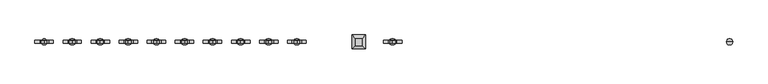
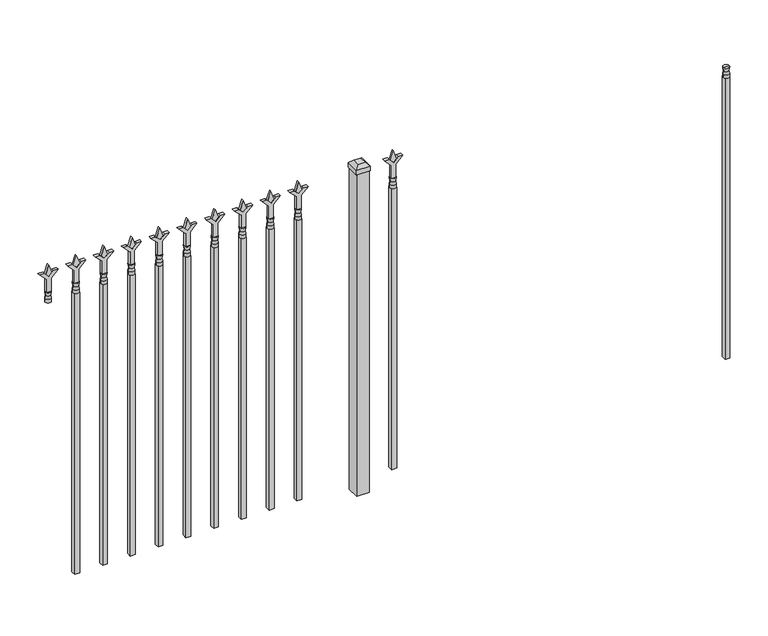
"""IFC4 building model written with IfcOpenShell, lengths in millimetres: railing geometry."""

from ifc_helpers import new_model, si_unit, frame, origin, origin_with_axes, place, context, project, spatial, polyline, circle_curve, outline, extrude, faceted_brep, source, transform, mapped, element, save
from ifc_brep_helpers import plane_surface, cylinder_surface, revolved_surface, advanced_brep


def railing_8f389909(model_context):
    return source(origin(), model_context, "Body", "SolidModel", [
        advanced_brep(
        [(-70507.574337, -635.2570174, 1231.9), (-70531.386837, -635.2570174, 1231.9), (-70531.386837, -635.2570174, 1219.2), (-70507.574337, -635.2570174, 1219.2), (-70509.7796688, -635.2570174, 1244.4070585), (-70529.1815051, -635.2570174, 1244.4070585), (-70507.574337, -635.2570174, 1260.475), (-70531.386837, -635.2570174, 1260.475), (-70519.480587, -635.2570174, 1260.475), (-70519.480587, -635.2570174, 1219.2)],
        [
            (0, 1, circle_curve(frame((-70519.480587, -635.2570174, 1231.9), z_axis=(0.0, 0.0, -1.0), x_axis=(-1.0, 0.0, 0.0)), 11.90625)),
            (1, 2),
            (2, 3, circle_curve(frame((-70519.480587, -635.2570174, 1219.2), z_axis=(0.0, 0.0, 1.0), x_axis=(-1.0, 0.0, 0.0)), 11.90625)),
            (3, 0),
            (1, 0, circle_curve(frame((-70519.480587, -635.2570174, 1231.9), z_axis=(0.0, 0.0, -1.0), x_axis=(-1.0, 0.0, 0.0)), 11.90625)),
            (3, 2, circle_curve(frame((-70519.480587, -635.2570174, 1219.2), z_axis=(0.0, 0.0, 1.0), x_axis=(-1.0, 0.0, 0.0)), 11.90625)),
            (4, 5, circle_curve(frame((-70519.480587, -635.2570174, 1244.4070585), z_axis=(0.0, 0.0, -1.0), x_axis=(-1.0, 0.0, 0.0)), 9.7009181)),
            (5, 1),
            (0, 4),
            (5, 4, circle_curve(frame((-70519.480587, -635.2570174, 1244.4070585), z_axis=(0.0, 0.0, -1.0), x_axis=(-1.0, 0.0, 0.0)), 9.7009181)),
            (6, 7, circle_curve(frame((-70519.480587, -635.2570174, 1260.475), z_axis=(0.0, 0.0, -1.0), x_axis=(-1.0, 0.0, 0.0)), 11.90625)),
            (7, 5),
            (4, 6),
            (7, 6, circle_curve(frame((-70519.480587, -635.2570174, 1260.475), z_axis=(0.0, 0.0, -1.0), x_axis=(-1.0, 0.0, 0.0)), 11.90625)),
            (8, 7),
            (6, 8),
            (2, 9),
            (9, 3),
        ],
        [
            cylinder_surface(frame((-70519.480587, -635.2570174, 1219.2), z_axis=(0.0, 0.0, 1.0), x_axis=(-1.0, 0.0, 0.0)), 11.90625),
            revolved_surface(polyline([(-70531.386837, -635.2570174, 1231.9), (-70529.1815051, -635.2570174, 1244.4070585)]), (-70519.480587, -635.2570174, 1219.2), (0.0, 0.0, 1.0)),
            revolved_surface(polyline([(-70529.1815051, -635.2570174, 1244.4070585), (-70531.386837, -635.2570174, 1260.475)]), (-70519.480587, -635.2570174, 1219.2), (0.0, 0.0, 1.0)),
            plane_surface(frame((-70519.480587, -635.2570174, 1260.475), z_axis=(0.0, 0.0, 1.0), x_axis=(-1.0, 0.0, 0.0))),
            plane_surface(frame((-70519.480587, -635.2570174, 1219.2), z_axis=(0.0, 0.0, -1.0), x_axis=(-1.0, 0.0, 0.0))),
        ],
        [
            (0, [[1, 2, 3, 4]]),
            (0, [[5, -4, 6, -2]]),
            (1, [[7, 8, -1, 9]]),
            (1, [[10, -9, -5, -8]]),
            (2, [[11, 12, -7, 13]]),
            (2, [[14, -13, -10, -12]]),
            (3, [[15, -11, 16]]),
            (3, [[-16, -14, -15]]),
            (4, [[-3, 17, 18]]),
            (4, [[-6, -18, -17]]),
        ],
    ),
        extrude(outline(polyline([(-70529.005587, -625.7320174), (-70509.955587, -625.7320174), (-70509.955587, -644.7820174), (-70529.005587, -644.7820174), (-70529.005587, -625.7320174)])), frame((0.0, 0.0, 50.8), z_axis=(0.0, 0.0, 1.0), x_axis=(1.0, 0.0, 0.0)), (0.0, 0.0, 1.0), 1168.4),
        extrude(outline(polyline([(1335.88125, -71818.849337), (1371.6, -71830.755587), (1335.88125, -71842.661837), (1323.975, -71830.755587), (1335.88125, -71818.849337)])), frame((0.0, -640.0195174, 0.0), z_axis=(0.0, 1.0, 0.0), x_axis=(0.0, 0.0, 1.0)), (0.0, 0.0, 1.0), 9.525),
        extrude(outline(polyline([(1260.475, -71822.024337), (1314.7457378, -71822.024337), (1341.9355122, -71794.8345625), (1341.9355122, -71812.7950747), (1323.975, -71830.755587), (1341.9355122, -71848.7160992), (1341.9355122, -71866.6766114), (1314.7457378, -71839.486837), (1260.475, -71839.486837), (1260.475, -71822.024337)])), frame((0.0, -641.6070174, 0.0), z_axis=(0.0, 1.0, 0.0), x_axis=(0.0, 0.0, 1.0)), (0.0, 0.0, 1.0), 12.7),
        advanced_brep(
        [(-71818.849337, -635.2570174, 1231.9), (-71842.661837, -635.2570174, 1231.9), (-71842.661837, -635.2570174, 1219.2), (-71818.849337, -635.2570174, 1219.2), (-71821.0546688, -635.2570174, 1244.4070585), (-71840.4565051, -635.2570174, 1244.4070585), (-71818.849337, -635.2570174, 1260.475), (-71842.661837, -635.2570174, 1260.475), (-71830.755587, -635.2570174, 1260.475), (-71830.755587, -635.2570174, 1219.2)],
        [
            (0, 1, circle_curve(frame((-71830.755587, -635.2570174, 1231.9), z_axis=(0.0, 0.0, -1.0), x_axis=(-1.0, 0.0, 0.0)), 11.90625)),
            (1, 2),
            (2, 3, circle_curve(frame((-71830.755587, -635.2570174, 1219.2), z_axis=(0.0, 0.0, 1.0), x_axis=(-1.0, 0.0, 0.0)), 11.90625)),
            (3, 0),
            (1, 0, circle_curve(frame((-71830.755587, -635.2570174, 1231.9), z_axis=(0.0, 0.0, -1.0), x_axis=(-1.0, 0.0, 0.0)), 11.90625)),
            (3, 2, circle_curve(frame((-71830.755587, -635.2570174, 1219.2), z_axis=(0.0, 0.0, 1.0), x_axis=(-1.0, 0.0, 0.0)), 11.90625)),
            (4, 5, circle_curve(frame((-71830.755587, -635.2570174, 1244.4070585), z_axis=(0.0, 0.0, -1.0), x_axis=(-1.0, 0.0, 0.0)), 9.7009181)),
            (5, 1),
            (0, 4),
            (5, 4, circle_curve(frame((-71830.755587, -635.2570174, 1244.4070585), z_axis=(0.0, 0.0, -1.0), x_axis=(-1.0, 0.0, 0.0)), 9.7009181)),
            (6, 7, circle_curve(frame((-71830.755587, -635.2570174, 1260.475), z_axis=(0.0, 0.0, -1.0), x_axis=(-1.0, 0.0, 0.0)), 11.90625)),
            (7, 5),
            (4, 6),
            (7, 6, circle_curve(frame((-71830.755587, -635.2570174, 1260.475), z_axis=(0.0, 0.0, -1.0), x_axis=(-1.0, 0.0, 0.0)), 11.90625)),
            (8, 7),
            (6, 8),
            (2, 9),
            (9, 3),
        ],
        [
            cylinder_surface(frame((-71830.755587, -635.2570174, 1219.2), z_axis=(0.0, 0.0, 1.0), x_axis=(-1.0, 0.0, 0.0)), 11.90625),
            revolved_surface(polyline([(-71842.661837, -635.2570174, 1231.9), (-71840.4565051, -635.2570174, 1244.4070585)]), (-71830.755587, -635.2570174, 1219.2), (0.0, 0.0, 1.0)),
            revolved_surface(polyline([(-71840.4565051, -635.2570174, 1244.4070585), (-71842.661837, -635.2570174, 1260.475)]), (-71830.755587, -635.2570174, 1219.2), (0.0, 0.0, 1.0)),
            plane_surface(frame((-71830.755587, -635.2570174, 1260.475), z_axis=(0.0, 0.0, 1.0), x_axis=(-1.0, 0.0, 0.0))),
            plane_surface(frame((-71830.755587, -635.2570174, 1219.2), z_axis=(0.0, 0.0, -1.0), x_axis=(-1.0, 0.0, 0.0))),
        ],
        [
            (0, [[1, 2, 3, 4]]),
            (0, [[5, -4, 6, -2]]),
            (1, [[7, 8, -1, 9]]),
            (1, [[10, -9, -5, -8]]),
            (2, [[11, 12, -7, 13]]),
            (2, [[14, -13, -10, -12]]),
            (3, [[15, -11, 16]]),
            (3, [[-16, -14, -15]]),
            (4, [[-3, 17, 18]]),
            (4, [[-6, -18, -17]]),
        ],
    ),
        extrude(outline(polyline([(-71840.280587, -625.7320174), (-71821.230587, -625.7320174), (-71821.230587, -644.7820174), (-71840.280587, -644.7820174), (-71840.280587, -625.7320174)])), frame((0.0, 0.0, 50.8), z_axis=(0.0, 0.0, 1.0), x_axis=(1.0, 0.0, 0.0)), (0.0, 0.0, 1.0), 1168.4),
        extrude(outline(polyline([(-71937.118087, -609.8570174), (-71937.118087, -660.6570174), (-71987.918087, -660.6570174), (-71987.918087, -609.8570174), (-71937.118087, -609.8570174)])), origin_with_axes(), (0.0, 0.0, 1.0), 1339.85),
        faceted_brep([(-71989.505587, -608.2695174, 1358.9), (-71989.505587, -608.2695174, 1339.85), (-71989.505587, -662.2445174, 1339.85), (-71989.505587, -662.2445174, 1358.9), (-71976.805587, -620.9695174, 1371.6), (-71976.805587, -649.5445174, 1371.6), (-71935.530587, -662.2445174, 1339.85), (-71935.530587, -662.2445174, 1358.9), (-71948.230587, -649.5445174, 1371.6), (-71935.530587, -608.2695174, 1339.85), (-71935.530587, -608.2695174, 1358.9), (-71948.230587, -620.9695174, 1371.6)], [[[0, 1, 2, 3]], [[4, 0, 3, 5]], [[3, 2, 6, 7]], [[5, 3, 7, 8]], [[7, 6, 9, 10]], [[8, 7, 10, 11]], [[10, 9, 1, 0]], [[11, 10, 0, 4]], [[5, 8, 11, 4]], [[1, 9, 6, 2]]]),
        extrude(outline(polyline([(1335.88125, -72191.6472536), (1371.6, -72203.5535036), (1335.88125, -72215.4597536), (1323.975, -72203.5535036), (1335.88125, -72191.6472536)])), frame((0.0, -640.0195174, 0.0), z_axis=(0.0, 1.0, 0.0), x_axis=(0.0, 0.0, 1.0)), (0.0, 0.0, 1.0), 9.525),
        extrude(outline(polyline([(1260.475, -72194.8222536), (1314.7457378, -72194.8222536), (1341.9355122, -72167.6324791), (1341.9355122, -72185.5929914), (1323.975, -72203.5535036), (1341.9355122, -72221.5140159), (1341.9355122, -72239.4745281), (1314.7457378, -72212.2847536), (1260.475, -72212.2847536), (1260.475, -72194.8222536)])), frame((0.0, -641.6070174, 0.0), z_axis=(0.0, 1.0, 0.0), x_axis=(0.0, 0.0, 1.0)), (0.0, 0.0, 1.0), 12.7),
        advanced_brep(
        [(-72191.6472536, -635.2570174, 1231.9), (-72215.4597536, -635.2570174, 1231.9), (-72215.4597536, -635.2570174, 1219.2), (-72191.6472536, -635.2570174, 1219.2), (-72193.8525855, -635.2570174, 1244.4070585), (-72213.2544218, -635.2570174, 1244.4070585), (-72191.6472536, -635.2570174, 1260.475), (-72215.4597536, -635.2570174, 1260.475), (-72203.5535036, -635.2570174, 1260.475), (-72203.5535036, -635.2570174, 1219.2)],
        [
            (0, 1, circle_curve(frame((-72203.5535036, -635.2570174, 1231.9), z_axis=(0.0, 0.0, -1.0), x_axis=(-1.0, 0.0, 0.0)), 11.90625)),
            (1, 2),
            (2, 3, circle_curve(frame((-72203.5535036, -635.2570174, 1219.2), z_axis=(0.0, 0.0, 1.0), x_axis=(-1.0, 0.0, 0.0)), 11.90625)),
            (3, 0),
            (1, 0, circle_curve(frame((-72203.5535036, -635.2570174, 1231.9), z_axis=(0.0, 0.0, -1.0), x_axis=(-1.0, 0.0, 0.0)), 11.90625)),
            (3, 2, circle_curve(frame((-72203.5535036, -635.2570174, 1219.2), z_axis=(0.0, 0.0, 1.0), x_axis=(-1.0, 0.0, 0.0)), 11.90625)),
            (4, 5, circle_curve(frame((-72203.5535036, -635.2570174, 1244.4070585), z_axis=(0.0, 0.0, -1.0), x_axis=(-1.0, 0.0, 0.0)), 9.7009181)),
            (5, 1),
            (0, 4),
            (5, 4, circle_curve(frame((-72203.5535036, -635.2570174, 1244.4070585), z_axis=(0.0, 0.0, -1.0), x_axis=(-1.0, 0.0, 0.0)), 9.7009181)),
            (6, 7, circle_curve(frame((-72203.5535036, -635.2570174, 1260.475), z_axis=(0.0, 0.0, -1.0), x_axis=(-1.0, 0.0, 0.0)), 11.90625)),
            (7, 5),
            (4, 6),
            (7, 6, circle_curve(frame((-72203.5535036, -635.2570174, 1260.475), z_axis=(0.0, 0.0, -1.0), x_axis=(-1.0, 0.0, 0.0)), 11.90625)),
            (8, 7),
            (6, 8),
            (2, 9),
            (9, 3),
        ],
        [
            cylinder_surface(frame((-72203.5535036, -635.2570174, 1219.2), z_axis=(0.0, 0.0, 1.0), x_axis=(-1.0, 0.0, 0.0)), 11.90625),
            revolved_surface(polyline([(-72215.4597536, -635.2570174, 1231.9), (-72213.2544218, -635.2570174, 1244.4070585)]), (-72203.5535036, -635.2570174, 1219.2), (0.0, 0.0, 1.0)),
            revolved_surface(polyline([(-72213.2544218, -635.2570174, 1244.4070585), (-72215.4597536, -635.2570174, 1260.475)]), (-72203.5535036, -635.2570174, 1219.2), (0.0, 0.0, 1.0)),
            plane_surface(frame((-72203.5535036, -635.2570174, 1260.475), z_axis=(0.0, 0.0, 1.0), x_axis=(-1.0, 0.0, 0.0))),
            plane_surface(frame((-72203.5535036, -635.2570174, 1219.2), z_axis=(0.0, 0.0, -1.0), x_axis=(-1.0, 0.0, 0.0))),
        ],
        [
            (0, [[1, 2, 3, 4]]),
            (0, [[5, -4, 6, -2]]),
            (1, [[7, 8, -1, 9]]),
            (1, [[10, -9, -5, -8]]),
            (2, [[11, 12, -7, 13]]),
            (2, [[14, -13, -10, -12]]),
            (3, [[15, -11, 16]]),
            (3, [[-16, -14, -15]]),
            (4, [[-3, 17, 18]]),
            (4, [[-6, -18, -17]]),
        ],
    ),
        extrude(outline(polyline([(-72213.0785036, -625.7320174), (-72194.0285036, -625.7320174), (-72194.0285036, -644.7820174), (-72213.0785036, -644.7820174), (-72213.0785036, -625.7320174)])), frame((0.0, 0.0, 50.8), z_axis=(0.0, 0.0, 1.0), x_axis=(1.0, 0.0, 0.0)), (0.0, 0.0, 1.0), 1168.4),
        extrude(outline(polyline([(1335.88125, -72300.9201703), (1371.6, -72312.8264203), (1335.88125, -72324.7326703), (1323.975, -72312.8264203), (1335.88125, -72300.9201703)])), frame((0.0, -640.0195174, 0.0), z_axis=(0.0, 1.0, 0.0), x_axis=(0.0, 0.0, 1.0)), (0.0, 0.0, 1.0), 9.525),
        extrude(outline(polyline([(1260.475, -72304.0951703), (1314.7457378, -72304.0951703), (1341.9355122, -72276.9053958), (1341.9355122, -72294.8659081), (1323.975, -72312.8264203), (1341.9355122, -72330.7869325), (1341.9355122, -72348.7474448), (1314.7457378, -72321.5576703), (1260.475, -72321.5576703), (1260.475, -72304.0951703)])), frame((0.0, -641.6070174, 0.0), z_axis=(0.0, 1.0, 0.0), x_axis=(0.0, 0.0, 1.0)), (0.0, 0.0, 1.0), 12.7),
        advanced_brep(
        [(-72300.9201703, -635.2570174, 1231.9), (-72324.7326703, -635.2570174, 1231.9), (-72324.7326703, -635.2570174, 1219.2), (-72300.9201703, -635.2570174, 1219.2), (-72303.1255022, -635.2570174, 1244.4070585), (-72322.5273384, -635.2570174, 1244.4070585), (-72300.9201703, -635.2570174, 1260.475), (-72324.7326703, -635.2570174, 1260.475), (-72312.8264203, -635.2570174, 1260.475), (-72312.8264203, -635.2570174, 1219.2)],
        [
            (0, 1, circle_curve(frame((-72312.8264203, -635.2570174, 1231.9), z_axis=(0.0, 0.0, -1.0), x_axis=(-1.0, 0.0, 0.0)), 11.90625)),
            (1, 2),
            (2, 3, circle_curve(frame((-72312.8264203, -635.2570174, 1219.2), z_axis=(0.0, 0.0, 1.0), x_axis=(-1.0, 0.0, 0.0)), 11.90625)),
            (3, 0),
            (1, 0, circle_curve(frame((-72312.8264203, -635.2570174, 1231.9), z_axis=(0.0, 0.0, -1.0), x_axis=(-1.0, 0.0, 0.0)), 11.90625)),
            (3, 2, circle_curve(frame((-72312.8264203, -635.2570174, 1219.2), z_axis=(0.0, 0.0, 1.0), x_axis=(-1.0, 0.0, 0.0)), 11.90625)),
            (4, 5, circle_curve(frame((-72312.8264203, -635.2570174, 1244.4070585), z_axis=(0.0, 0.0, -1.0), x_axis=(-1.0, 0.0, 0.0)), 9.7009181)),
            (5, 1),
            (0, 4),
            (5, 4, circle_curve(frame((-72312.8264203, -635.2570174, 1244.4070585), z_axis=(0.0, 0.0, -1.0), x_axis=(-1.0, 0.0, 0.0)), 9.7009181)),
            (6, 7, circle_curve(frame((-72312.8264203, -635.2570174, 1260.475), z_axis=(0.0, 0.0, -1.0), x_axis=(-1.0, 0.0, 0.0)), 11.90625)),
            (7, 5),
            (4, 6),
            (7, 6, circle_curve(frame((-72312.8264203, -635.2570174, 1260.475), z_axis=(0.0, 0.0, -1.0), x_axis=(-1.0, 0.0, 0.0)), 11.90625)),
            (8, 7),
            (6, 8),
            (2, 9),
            (9, 3),
        ],
        [
            cylinder_surface(frame((-72312.8264203, -635.2570174, 1219.2), z_axis=(0.0, 0.0, 1.0), x_axis=(-1.0, 0.0, 0.0)), 11.90625),
            revolved_surface(polyline([(-72324.7326703, -635.2570174, 1231.9), (-72322.5273384, -635.2570174, 1244.4070585)]), (-72312.8264203, -635.2570174, 1219.2), (0.0, 0.0, 1.0)),
            revolved_surface(polyline([(-72322.5273384, -635.2570174, 1244.4070585), (-72324.7326703, -635.2570174, 1260.475)]), (-72312.8264203, -635.2570174, 1219.2), (0.0, 0.0, 1.0)),
            plane_surface(frame((-72312.8264203, -635.2570174, 1260.475), z_axis=(0.0, 0.0, 1.0), x_axis=(-1.0, 0.0, 0.0))),
            plane_surface(frame((-72312.8264203, -635.2570174, 1219.2), z_axis=(0.0, 0.0, -1.0), x_axis=(-1.0, 0.0, 0.0))),
        ],
        [
            (0, [[1, 2, 3, 4]]),
            (0, [[5, -4, 6, -2]]),
            (1, [[7, 8, -1, 9]]),
            (1, [[10, -9, -5, -8]]),
            (2, [[11, 12, -7, 13]]),
            (2, [[14, -13, -10, -12]]),
            (3, [[15, -11, 16]]),
            (3, [[-16, -14, -15]]),
            (4, [[-3, 17, 18]]),
            (4, [[-6, -18, -17]]),
        ],
    ),
        extrude(outline(polyline([(-72322.3514203, -625.7320174), (-72303.3014203, -625.7320174), (-72303.3014203, -644.7820174), (-72322.3514203, -644.7820174), (-72322.3514203, -625.7320174)])), frame((0.0, 0.0, 50.8), z_axis=(0.0, 0.0, 1.0), x_axis=(1.0, 0.0, 0.0)), (0.0, 0.0, 1.0), 1168.4),
        extrude(outline(polyline([(1335.88125, -72410.193087), (1371.6, -72422.099337), (1335.88125, -72434.005587), (1323.975, -72422.099337), (1335.88125, -72410.193087)])), frame((0.0, -640.0195174, 0.0), z_axis=(0.0, 1.0, 0.0), x_axis=(0.0, 0.0, 1.0)), (0.0, 0.0, 1.0), 9.525),
        extrude(outline(polyline([(1260.475, -72413.368087), (1314.7457378, -72413.368087), (1341.9355122, -72386.1783125), (1341.9355122, -72404.1388247), (1323.975, -72422.099337), (1341.9355122, -72440.0598492), (1341.9355122, -72458.0203614), (1314.7457378, -72430.830587), (1260.475, -72430.830587), (1260.475, -72413.368087)])), frame((0.0, -641.6070174, 0.0), z_axis=(0.0, 1.0, 0.0), x_axis=(0.0, 0.0, 1.0)), (0.0, 0.0, 1.0), 12.7),
        advanced_brep(
        [(-72410.193087, -635.2570174, 1231.9), (-72434.005587, -635.2570174, 1231.9), (-72434.005587, -635.2570174, 1219.2), (-72410.193087, -635.2570174, 1219.2), (-72412.3984188, -635.2570174, 1244.4070585), (-72431.8002551, -635.2570174, 1244.4070585), (-72410.193087, -635.2570174, 1260.475), (-72434.005587, -635.2570174, 1260.475), (-72422.099337, -635.2570174, 1260.475), (-72422.099337, -635.2570174, 1219.2)],
        [
            (0, 1, circle_curve(frame((-72422.099337, -635.2570174, 1231.9), z_axis=(0.0, 0.0, -1.0), x_axis=(-1.0, 0.0, 0.0)), 11.90625)),
            (1, 2),
            (2, 3, circle_curve(frame((-72422.099337, -635.2570174, 1219.2), z_axis=(0.0, 0.0, 1.0), x_axis=(-1.0, 0.0, 0.0)), 11.90625)),
            (3, 0),
            (1, 0, circle_curve(frame((-72422.099337, -635.2570174, 1231.9), z_axis=(0.0, 0.0, -1.0), x_axis=(-1.0, 0.0, 0.0)), 11.90625)),
            (3, 2, circle_curve(frame((-72422.099337, -635.2570174, 1219.2), z_axis=(0.0, 0.0, 1.0), x_axis=(-1.0, 0.0, 0.0)), 11.90625)),
            (4, 5, circle_curve(frame((-72422.099337, -635.2570174, 1244.4070585), z_axis=(0.0, 0.0, -1.0), x_axis=(-1.0, 0.0, 0.0)), 9.7009181)),
            (5, 1),
            (0, 4),
            (5, 4, circle_curve(frame((-72422.099337, -635.2570174, 1244.4070585), z_axis=(0.0, 0.0, -1.0), x_axis=(-1.0, 0.0, 0.0)), 9.7009181)),
            (6, 7, circle_curve(frame((-72422.099337, -635.2570174, 1260.475), z_axis=(0.0, 0.0, -1.0), x_axis=(-1.0, 0.0, 0.0)), 11.90625)),
            (7, 5),
            (4, 6),
            (7, 6, circle_curve(frame((-72422.099337, -635.2570174, 1260.475), z_axis=(0.0, 0.0, -1.0), x_axis=(-1.0, 0.0, 0.0)), 11.90625)),
            (8, 7),
            (6, 8),
            (2, 9),
            (9, 3),
        ],
        [
            cylinder_surface(frame((-72422.099337, -635.2570174, 1219.2), z_axis=(0.0, 0.0, 1.0), x_axis=(-1.0, 0.0, 0.0)), 11.90625),
            revolved_surface(polyline([(-72434.005587, -635.2570174, 1231.9), (-72431.8002551, -635.2570174, 1244.4070585)]), (-72422.099337, -635.2570174, 1219.2), (0.0, 0.0, 1.0)),
            revolved_surface(polyline([(-72431.8002551, -635.2570174, 1244.4070585), (-72434.005587, -635.2570174, 1260.475)]), (-72422.099337, -635.2570174, 1219.2), (0.0, 0.0, 1.0)),
            plane_surface(frame((-72422.099337, -635.2570174, 1260.475), z_axis=(0.0, 0.0, 1.0), x_axis=(-1.0, 0.0, 0.0))),
            plane_surface(frame((-72422.099337, -635.2570174, 1219.2), z_axis=(0.0, 0.0, -1.0), x_axis=(-1.0, 0.0, 0.0))),
        ],
        [
            (0, [[1, 2, 3, 4]]),
            (0, [[5, -4, 6, -2]]),
            (1, [[7, 8, -1, 9]]),
            (1, [[10, -9, -5, -8]]),
            (2, [[11, 12, -7, 13]]),
            (2, [[14, -13, -10, -12]]),
            (3, [[15, -11, 16]]),
            (3, [[-16, -14, -15]]),
            (4, [[-3, 17, 18]]),
            (4, [[-6, -18, -17]]),
        ],
    ),
        extrude(outline(polyline([(-72431.624337, -625.7320174), (-72412.574337, -625.7320174), (-72412.574337, -644.7820174), (-72431.624337, -644.7820174), (-72431.624337, -625.7320174)])), frame((0.0, 0.0, 50.8), z_axis=(0.0, 0.0, 1.0), x_axis=(1.0, 0.0, 0.0)), (0.0, 0.0, 1.0), 1168.4),
        extrude(outline(polyline([(1335.88125, -72519.4660036), (1371.6, -72531.3722536), (1335.88125, -72543.2785036), (1323.975, -72531.3722536), (1335.88125, -72519.4660036)])), frame((0.0, -640.0195174, 0.0), z_axis=(0.0, 1.0, 0.0), x_axis=(0.0, 0.0, 1.0)), (0.0, 0.0, 1.0), 9.525),
        extrude(outline(polyline([(1260.475, -72522.6410036), (1314.7457378, -72522.6410036), (1341.9355122, -72495.4512291), (1341.9355122, -72513.4117414), (1323.975, -72531.3722536), (1341.9355122, -72549.3327659), (1341.9355122, -72567.2932781), (1314.7457378, -72540.1035036), (1260.475, -72540.1035036), (1260.475, -72522.6410036)])), frame((0.0, -641.6070174, 0.0), z_axis=(0.0, 1.0, 0.0), x_axis=(0.0, 0.0, 1.0)), (0.0, 0.0, 1.0), 12.7),
        advanced_brep(
        [(-72519.4660036, -635.2570174, 1231.9), (-72543.2785036, -635.2570174, 1231.9), (-72543.2785036, -635.2570174, 1219.2), (-72519.4660036, -635.2570174, 1219.2), (-72521.6713355, -635.2570174, 1244.4070585), (-72541.0731718, -635.2570174, 1244.4070585), (-72519.4660036, -635.2570174, 1260.475), (-72543.2785036, -635.2570174, 1260.475), (-72531.3722536, -635.2570174, 1260.475), (-72531.3722536, -635.2570174, 1219.2)],
        [
            (0, 1, circle_curve(frame((-72531.3722536, -635.2570174, 1231.9), z_axis=(0.0, 0.0, -1.0), x_axis=(-1.0, 0.0, 0.0)), 11.90625)),
            (1, 2),
            (2, 3, circle_curve(frame((-72531.3722536, -635.2570174, 1219.2), z_axis=(0.0, 0.0, 1.0), x_axis=(-1.0, 0.0, 0.0)), 11.90625)),
            (3, 0),
            (1, 0, circle_curve(frame((-72531.3722536, -635.2570174, 1231.9), z_axis=(0.0, 0.0, -1.0), x_axis=(-1.0, 0.0, 0.0)), 11.90625)),
            (3, 2, circle_curve(frame((-72531.3722536, -635.2570174, 1219.2), z_axis=(0.0, 0.0, 1.0), x_axis=(-1.0, 0.0, 0.0)), 11.90625)),
            (4, 5, circle_curve(frame((-72531.3722536, -635.2570174, 1244.4070585), z_axis=(0.0, 0.0, -1.0), x_axis=(-1.0, 0.0, 0.0)), 9.7009181)),
            (5, 1),
            (0, 4),
            (5, 4, circle_curve(frame((-72531.3722536, -635.2570174, 1244.4070585), z_axis=(0.0, 0.0, -1.0), x_axis=(-1.0, 0.0, 0.0)), 9.7009181)),
            (6, 7, circle_curve(frame((-72531.3722536, -635.2570174, 1260.475), z_axis=(0.0, 0.0, -1.0), x_axis=(-1.0, 0.0, 0.0)), 11.90625)),
            (7, 5),
            (4, 6),
            (7, 6, circle_curve(frame((-72531.3722536, -635.2570174, 1260.475), z_axis=(0.0, 0.0, -1.0), x_axis=(-1.0, 0.0, 0.0)), 11.90625)),
            (8, 7),
            (6, 8),
            (2, 9),
            (9, 3),
        ],
        [
            cylinder_surface(frame((-72531.3722536, -635.2570174, 1219.2), z_axis=(0.0, 0.0, 1.0), x_axis=(-1.0, 0.0, 0.0)), 11.90625),
            revolved_surface(polyline([(-72543.2785036, -635.2570174, 1231.9), (-72541.0731718, -635.2570174, 1244.4070585)]), (-72531.3722536, -635.2570174, 1219.2), (0.0, 0.0, 1.0)),
            revolved_surface(polyline([(-72541.0731718, -635.2570174, 1244.4070585), (-72543.2785036, -635.2570174, 1260.475)]), (-72531.3722536, -635.2570174, 1219.2), (0.0, 0.0, 1.0)),
            plane_surface(frame((-72531.3722536, -635.2570174, 1260.475), z_axis=(0.0, 0.0, 1.0), x_axis=(-1.0, 0.0, 0.0))),
            plane_surface(frame((-72531.3722536, -635.2570174, 1219.2), z_axis=(0.0, 0.0, -1.0), x_axis=(-1.0, 0.0, 0.0))),
        ],
        [
            (0, [[1, 2, 3, 4]]),
            (0, [[5, -4, 6, -2]]),
            (1, [[7, 8, -1, 9]]),
            (1, [[10, -9, -5, -8]]),
            (2, [[11, 12, -7, 13]]),
            (2, [[14, -13, -10, -12]]),
            (3, [[15, -11, 16]]),
            (3, [[-16, -14, -15]]),
            (4, [[-3, 17, 18]]),
            (4, [[-6, -18, -17]]),
        ],
    ),
        extrude(outline(polyline([(-72540.8972536, -625.7320174), (-72521.8472536, -625.7320174), (-72521.8472536, -644.7820174), (-72540.8972536, -644.7820174), (-72540.8972536, -625.7320174)])), frame((0.0, 0.0, 50.8), z_axis=(0.0, 0.0, 1.0), x_axis=(1.0, 0.0, 0.0)), (0.0, 0.0, 1.0), 1168.4),
        extrude(outline(polyline([(1335.88125, -72628.7389203), (1371.6, -72640.6451703), (1335.88125, -72652.5514203), (1323.975, -72640.6451703), (1335.88125, -72628.7389203)])), frame((0.0, -640.0195174, 0.0), z_axis=(0.0, 1.0, 0.0), x_axis=(0.0, 0.0, 1.0)), (0.0, 0.0, 1.0), 9.525),
        extrude(outline(polyline([(1260.475, -72631.9139203), (1314.7457378, -72631.9139203), (1341.9355122, -72604.7241458), (1341.9355122, -72622.6846581), (1323.975, -72640.6451703), (1341.9355122, -72658.6056825), (1341.9355122, -72676.5661948), (1314.7457378, -72649.3764203), (1260.475, -72649.3764203), (1260.475, -72631.9139203)])), frame((0.0, -641.6070174, 0.0), z_axis=(0.0, 1.0, 0.0), x_axis=(0.0, 0.0, 1.0)), (0.0, 0.0, 1.0), 12.7),
        advanced_brep(
        [(-72628.7389203, -635.2570174, 1231.9), (-72652.5514203, -635.2570174, 1231.9), (-72652.5514203, -635.2570174, 1219.2), (-72628.7389203, -635.2570174, 1219.2), (-72630.9442522, -635.2570174, 1244.4070585), (-72650.3460884, -635.2570174, 1244.4070585), (-72628.7389203, -635.2570174, 1260.475), (-72652.5514203, -635.2570174, 1260.475), (-72640.6451703, -635.2570174, 1260.475), (-72640.6451703, -635.2570174, 1219.2)],
        [
            (0, 1, circle_curve(frame((-72640.6451703, -635.2570174, 1231.9), z_axis=(0.0, 0.0, -1.0), x_axis=(-1.0, 0.0, 0.0)), 11.90625)),
            (1, 2),
            (2, 3, circle_curve(frame((-72640.6451703, -635.2570174, 1219.2), z_axis=(0.0, 0.0, 1.0), x_axis=(-1.0, 0.0, 0.0)), 11.90625)),
            (3, 0),
            (1, 0, circle_curve(frame((-72640.6451703, -635.2570174, 1231.9), z_axis=(0.0, 0.0, -1.0), x_axis=(-1.0, 0.0, 0.0)), 11.90625)),
            (3, 2, circle_curve(frame((-72640.6451703, -635.2570174, 1219.2), z_axis=(0.0, 0.0, 1.0), x_axis=(-1.0, 0.0, 0.0)), 11.90625)),
            (4, 5, circle_curve(frame((-72640.6451703, -635.2570174, 1244.4070585), z_axis=(0.0, 0.0, -1.0), x_axis=(-1.0, 0.0, 0.0)), 9.7009181)),
            (5, 1),
            (0, 4),
            (5, 4, circle_curve(frame((-72640.6451703, -635.2570174, 1244.4070585), z_axis=(0.0, 0.0, -1.0), x_axis=(-1.0, 0.0, 0.0)), 9.7009181)),
            (6, 7, circle_curve(frame((-72640.6451703, -635.2570174, 1260.475), z_axis=(0.0, 0.0, -1.0), x_axis=(-1.0, 0.0, 0.0)), 11.90625)),
            (7, 5),
            (4, 6),
            (7, 6, circle_curve(frame((-72640.6451703, -635.2570174, 1260.475), z_axis=(0.0, 0.0, -1.0), x_axis=(-1.0, 0.0, 0.0)), 11.90625)),
            (8, 7),
            (6, 8),
            (2, 9),
            (9, 3),
        ],
        [
            cylinder_surface(frame((-72640.6451703, -635.2570174, 1219.2), z_axis=(0.0, 0.0, 1.0), x_axis=(-1.0, 0.0, 0.0)), 11.90625),
            revolved_surface(polyline([(-72652.5514203, -635.2570174, 1231.9), (-72650.3460884, -635.2570174, 1244.4070585)]), (-72640.6451703, -635.2570174, 1219.2), (0.0, 0.0, 1.0)),
            revolved_surface(polyline([(-72650.3460884, -635.2570174, 1244.4070585), (-72652.5514203, -635.2570174, 1260.475)]), (-72640.6451703, -635.2570174, 1219.2), (0.0, 0.0, 1.0)),
            plane_surface(frame((-72640.6451703, -635.2570174, 1260.475), z_axis=(0.0, 0.0, 1.0), x_axis=(-1.0, 0.0, 0.0))),
            plane_surface(frame((-72640.6451703, -635.2570174, 1219.2), z_axis=(0.0, 0.0, -1.0), x_axis=(-1.0, 0.0, 0.0))),
        ],
        [
            (0, [[1, 2, 3, 4]]),
            (0, [[5, -4, 6, -2]]),
            (1, [[7, 8, -1, 9]]),
            (1, [[10, -9, -5, -8]]),
            (2, [[11, 12, -7, 13]]),
            (2, [[14, -13, -10, -12]]),
            (3, [[15, -11, 16]]),
            (3, [[-16, -14, -15]]),
            (4, [[-3, 17, 18]]),
            (4, [[-6, -18, -17]]),
        ],
    ),
        extrude(outline(polyline([(-72650.1701703, -625.7320174), (-72631.1201703, -625.7320174), (-72631.1201703, -644.7820174), (-72650.1701703, -644.7820174), (-72650.1701703, -625.7320174)])), frame((0.0, 0.0, 50.8), z_axis=(0.0, 0.0, 1.0), x_axis=(1.0, 0.0, 0.0)), (0.0, 0.0, 1.0), 1168.4),
        extrude(outline(polyline([(1335.88125, -72738.011837), (1371.6, -72749.918087), (1335.88125, -72761.824337), (1323.975, -72749.918087), (1335.88125, -72738.011837)])), frame((0.0, -640.0195174, 0.0), z_axis=(0.0, 1.0, 0.0), x_axis=(0.0, 0.0, 1.0)), (0.0, 0.0, 1.0), 9.525),
        extrude(outline(polyline([(1260.475, -72741.186837), (1314.7457378, -72741.186837), (1341.9355122, -72713.9970625), (1341.9355122, -72731.9575747), (1323.975, -72749.918087), (1341.9355122, -72767.8785992), (1341.9355122, -72785.8391114), (1314.7457378, -72758.649337), (1260.475, -72758.649337), (1260.475, -72741.186837)])), frame((0.0, -641.6070174, 0.0), z_axis=(0.0, 1.0, 0.0), x_axis=(0.0, 0.0, 1.0)), (0.0, 0.0, 1.0), 12.7),
        advanced_brep(
        [(-72738.011837, -635.2570174, 1231.9), (-72761.824337, -635.2570174, 1231.9), (-72761.824337, -635.2570174, 1219.2), (-72738.011837, -635.2570174, 1219.2), (-72740.2171688, -635.2570174, 1244.4070585), (-72759.6190051, -635.2570174, 1244.4070585), (-72738.011837, -635.2570174, 1260.475), (-72761.824337, -635.2570174, 1260.475), (-72749.918087, -635.2570174, 1260.475), (-72749.918087, -635.2570174, 1219.2)],
        [
            (0, 1, circle_curve(frame((-72749.918087, -635.2570174, 1231.9), z_axis=(0.0, 0.0, -1.0), x_axis=(-1.0, 0.0, 0.0)), 11.90625)),
            (1, 2),
            (2, 3, circle_curve(frame((-72749.918087, -635.2570174, 1219.2), z_axis=(0.0, 0.0, 1.0), x_axis=(-1.0, 0.0, 0.0)), 11.90625)),
            (3, 0),
            (1, 0, circle_curve(frame((-72749.918087, -635.2570174, 1231.9), z_axis=(0.0, 0.0, -1.0), x_axis=(-1.0, 0.0, 0.0)), 11.90625)),
            (3, 2, circle_curve(frame((-72749.918087, -635.2570174, 1219.2), z_axis=(0.0, 0.0, 1.0), x_axis=(-1.0, 0.0, 0.0)), 11.90625)),
            (4, 5, circle_curve(frame((-72749.918087, -635.2570174, 1244.4070585), z_axis=(0.0, 0.0, -1.0), x_axis=(-1.0, 0.0, 0.0)), 9.7009181)),
            (5, 1),
            (0, 4),
            (5, 4, circle_curve(frame((-72749.918087, -635.2570174, 1244.4070585), z_axis=(0.0, 0.0, -1.0), x_axis=(-1.0, 0.0, 0.0)), 9.7009181)),
            (6, 7, circle_curve(frame((-72749.918087, -635.2570174, 1260.475), z_axis=(0.0, 0.0, -1.0), x_axis=(-1.0, 0.0, 0.0)), 11.90625)),
            (7, 5),
            (4, 6),
            (7, 6, circle_curve(frame((-72749.918087, -635.2570174, 1260.475), z_axis=(0.0, 0.0, -1.0), x_axis=(-1.0, 0.0, 0.0)), 11.90625)),
            (8, 7),
            (6, 8),
            (2, 9),
            (9, 3),
        ],
        [
            cylinder_surface(frame((-72749.918087, -635.2570174, 1219.2), z_axis=(0.0, 0.0, 1.0), x_axis=(-1.0, 0.0, 0.0)), 11.90625),
            revolved_surface(polyline([(-72761.824337, -635.2570174, 1231.9), (-72759.6190051, -635.2570174, 1244.4070585)]), (-72749.918087, -635.2570174, 1219.2), (0.0, 0.0, 1.0)),
            revolved_surface(polyline([(-72759.6190051, -635.2570174, 1244.4070585), (-72761.824337, -635.2570174, 1260.475)]), (-72749.918087, -635.2570174, 1219.2), (0.0, 0.0, 1.0)),
            plane_surface(frame((-72749.918087, -635.2570174, 1260.475), z_axis=(0.0, 0.0, 1.0), x_axis=(-1.0, 0.0, 0.0))),
            plane_surface(frame((-72749.918087, -635.2570174, 1219.2), z_axis=(0.0, 0.0, -1.0), x_axis=(-1.0, 0.0, 0.0))),
        ],
        [
            (0, [[1, 2, 3, 4]]),
            (0, [[5, -4, 6, -2]]),
            (1, [[7, 8, -1, 9]]),
            (1, [[10, -9, -5, -8]]),
            (2, [[11, 12, -7, 13]]),
            (2, [[14, -13, -10, -12]]),
            (3, [[15, -11, 16]]),
            (3, [[-16, -14, -15]]),
            (4, [[-3, 17, 18]]),
            (4, [[-6, -18, -17]]),
        ],
    ),
        extrude(outline(polyline([(-72759.443087, -625.7320174), (-72740.393087, -625.7320174), (-72740.393087, -644.7820174), (-72759.443087, -644.7820174), (-72759.443087, -625.7320174)])), frame((0.0, 0.0, 50.8), z_axis=(0.0, 0.0, 1.0), x_axis=(1.0, 0.0, 0.0)), (0.0, 0.0, 1.0), 1168.4),
        extrude(outline(polyline([(1335.88125, -72847.2847536), (1371.6, -72859.1910036), (1335.88125, -72871.0972536), (1323.975, -72859.1910036), (1335.88125, -72847.2847536)])), frame((0.0, -640.0195174, 0.0), z_axis=(0.0, 1.0, 0.0), x_axis=(0.0, 0.0, 1.0)), (0.0, 0.0, 1.0), 9.525),
        extrude(outline(polyline([(1260.475, -72850.4597536), (1314.7457378, -72850.4597536), (1341.9355122, -72823.2699791), (1341.9355122, -72841.2304914), (1323.975, -72859.1910036), (1341.9355122, -72877.1515159), (1341.9355122, -72895.1120281), (1314.7457378, -72867.9222536), (1260.475, -72867.9222536), (1260.475, -72850.4597536)])), frame((0.0, -641.6070174, 0.0), z_axis=(0.0, 1.0, 0.0), x_axis=(0.0, 0.0, 1.0)), (0.0, 0.0, 1.0), 12.7),
        advanced_brep(
        [(-72847.2847536, -635.2570174, 1231.9), (-72871.0972536, -635.2570174, 1231.9), (-72871.0972536, -635.2570174, 1219.2), (-72847.2847536, -635.2570174, 1219.2), (-72849.4900855, -635.2570174, 1244.4070585), (-72868.8919218, -635.2570174, 1244.4070585), (-72847.2847536, -635.2570174, 1260.475), (-72871.0972536, -635.2570174, 1260.475), (-72859.1910036, -635.2570174, 1260.475), (-72859.1910036, -635.2570174, 1219.2)],
        [
            (0, 1, circle_curve(frame((-72859.1910036, -635.2570174, 1231.9), z_axis=(0.0, 0.0, -1.0), x_axis=(-1.0, 0.0, 0.0)), 11.90625)),
            (1, 2),
            (2, 3, circle_curve(frame((-72859.1910036, -635.2570174, 1219.2), z_axis=(0.0, 0.0, 1.0), x_axis=(-1.0, 0.0, 0.0)), 11.90625)),
            (3, 0),
            (1, 0, circle_curve(frame((-72859.1910036, -635.2570174, 1231.9), z_axis=(0.0, 0.0, -1.0), x_axis=(-1.0, 0.0, 0.0)), 11.90625)),
            (3, 2, circle_curve(frame((-72859.1910036, -635.2570174, 1219.2), z_axis=(0.0, 0.0, 1.0), x_axis=(-1.0, 0.0, 0.0)), 11.90625)),
            (4, 5, circle_curve(frame((-72859.1910036, -635.2570174, 1244.4070585), z_axis=(0.0, 0.0, -1.0), x_axis=(-1.0, 0.0, 0.0)), 9.7009181)),
            (5, 1),
            (0, 4),
            (5, 4, circle_curve(frame((-72859.1910036, -635.2570174, 1244.4070585), z_axis=(0.0, 0.0, -1.0), x_axis=(-1.0, 0.0, 0.0)), 9.7009181)),
            (6, 7, circle_curve(frame((-72859.1910036, -635.2570174, 1260.475), z_axis=(0.0, 0.0, -1.0), x_axis=(-1.0, 0.0, 0.0)), 11.90625)),
            (7, 5),
            (4, 6),
            (7, 6, circle_curve(frame((-72859.1910036, -635.2570174, 1260.475), z_axis=(0.0, 0.0, -1.0), x_axis=(-1.0, 0.0, 0.0)), 11.90625)),
            (8, 7),
            (6, 8),
            (2, 9),
            (9, 3),
        ],
        [
            cylinder_surface(frame((-72859.1910036, -635.2570174, 1219.2), z_axis=(0.0, 0.0, 1.0), x_axis=(-1.0, 0.0, 0.0)), 11.90625),
            revolved_surface(polyline([(-72871.0972536, -635.2570174, 1231.9), (-72868.8919218, -635.2570174, 1244.4070585)]), (-72859.1910036, -635.2570174, 1219.2), (0.0, 0.0, 1.0)),
            revolved_surface(polyline([(-72868.8919218, -635.2570174, 1244.4070585), (-72871.0972536, -635.2570174, 1260.475)]), (-72859.1910036, -635.2570174, 1219.2), (0.0, 0.0, 1.0)),
            plane_surface(frame((-72859.1910036, -635.2570174, 1260.475), z_axis=(0.0, 0.0, 1.0), x_axis=(-1.0, 0.0, 0.0))),
            plane_surface(frame((-72859.1910036, -635.2570174, 1219.2), z_axis=(0.0, 0.0, -1.0), x_axis=(-1.0, 0.0, 0.0))),
        ],
        [
            (0, [[1, 2, 3, 4]]),
            (0, [[5, -4, 6, -2]]),
            (1, [[7, 8, -1, 9]]),
            (1, [[10, -9, -5, -8]]),
            (2, [[11, 12, -7, 13]]),
            (2, [[14, -13, -10, -12]]),
            (3, [[15, -11, 16]]),
            (3, [[-16, -14, -15]]),
            (4, [[-3, 17, 18]]),
            (4, [[-6, -18, -17]]),
        ],
    ),
        extrude(outline(polyline([(-72868.7160036, -625.7320174), (-72849.6660036, -625.7320174), (-72849.6660036, -644.7820174), (-72868.7160036, -644.7820174), (-72868.7160036, -625.7320174)])), frame((0.0, 0.0, 50.8), z_axis=(0.0, 0.0, 1.0), x_axis=(1.0, 0.0, 0.0)), (0.0, 0.0, 1.0), 1168.4),
        extrude(outline(polyline([(1335.88125, -72956.5576703), (1371.6, -72968.4639203), (1335.88125, -72980.3701703), (1323.975, -72968.4639203), (1335.88125, -72956.5576703)])), frame((0.0, -640.0195174, 0.0), z_axis=(0.0, 1.0, 0.0), x_axis=(0.0, 0.0, 1.0)), (0.0, 0.0, 1.0), 9.525),
        extrude(outline(polyline([(1260.475, -72959.7326703), (1314.7457378, -72959.7326703), (1341.9355122, -72932.5428958), (1341.9355122, -72950.5034081), (1323.975, -72968.4639203), (1341.9355122, -72986.4244325), (1341.9355122, -73004.3849448), (1314.7457378, -72977.1951703), (1260.475, -72977.1951703), (1260.475, -72959.7326703)])), frame((0.0, -641.6070174, 0.0), z_axis=(0.0, 1.0, 0.0), x_axis=(0.0, 0.0, 1.0)), (0.0, 0.0, 1.0), 12.7),
        advanced_brep(
        [(-72956.5576703, -635.2570174, 1231.9), (-72980.3701703, -635.2570174, 1231.9), (-72980.3701703, -635.2570174, 1219.2), (-72956.5576703, -635.2570174, 1219.2), (-72958.7630022, -635.2570174, 1244.4070585), (-72978.1648384, -635.2570174, 1244.4070585), (-72956.5576703, -635.2570174, 1260.475), (-72980.3701703, -635.2570174, 1260.475), (-72968.4639203, -635.2570174, 1260.475), (-72968.4639203, -635.2570174, 1219.2)],
        [
            (0, 1, circle_curve(frame((-72968.4639203, -635.2570174, 1231.9), z_axis=(0.0, 0.0, -1.0), x_axis=(-1.0, 0.0, 0.0)), 11.90625)),
            (1, 2),
            (2, 3, circle_curve(frame((-72968.4639203, -635.2570174, 1219.2), z_axis=(0.0, 0.0, 1.0), x_axis=(-1.0, 0.0, 0.0)), 11.90625)),
            (3, 0),
            (1, 0, circle_curve(frame((-72968.4639203, -635.2570174, 1231.9), z_axis=(0.0, 0.0, -1.0), x_axis=(-1.0, 0.0, 0.0)), 11.90625)),
            (3, 2, circle_curve(frame((-72968.4639203, -635.2570174, 1219.2), z_axis=(0.0, 0.0, 1.0), x_axis=(-1.0, 0.0, 0.0)), 11.90625)),
            (4, 5, circle_curve(frame((-72968.4639203, -635.2570174, 1244.4070585), z_axis=(0.0, 0.0, -1.0), x_axis=(-1.0, 0.0, 0.0)), 9.7009181)),
            (5, 1),
            (0, 4),
            (5, 4, circle_curve(frame((-72968.4639203, -635.2570174, 1244.4070585), z_axis=(0.0, 0.0, -1.0), x_axis=(-1.0, 0.0, 0.0)), 9.7009181)),
            (6, 7, circle_curve(frame((-72968.4639203, -635.2570174, 1260.475), z_axis=(0.0, 0.0, -1.0), x_axis=(-1.0, 0.0, 0.0)), 11.90625)),
            (7, 5),
            (4, 6),
            (7, 6, circle_curve(frame((-72968.4639203, -635.2570174, 1260.475), z_axis=(0.0, 0.0, -1.0), x_axis=(-1.0, 0.0, 0.0)), 11.90625)),
            (8, 7),
            (6, 8),
            (2, 9),
            (9, 3),
        ],
        [
            cylinder_surface(frame((-72968.4639203, -635.2570174, 1219.2), z_axis=(0.0, 0.0, 1.0), x_axis=(-1.0, 0.0, 0.0)), 11.90625),
            revolved_surface(polyline([(-72980.3701703, -635.2570174, 1231.9), (-72978.1648384, -635.2570174, 1244.4070585)]), (-72968.4639203, -635.2570174, 1219.2), (0.0, 0.0, 1.0)),
            revolved_surface(polyline([(-72978.1648384, -635.2570174, 1244.4070585), (-72980.3701703, -635.2570174, 1260.475)]), (-72968.4639203, -635.2570174, 1219.2), (0.0, 0.0, 1.0)),
            plane_surface(frame((-72968.4639203, -635.2570174, 1260.475), z_axis=(0.0, 0.0, 1.0), x_axis=(-1.0, 0.0, 0.0))),
            plane_surface(frame((-72968.4639203, -635.2570174, 1219.2), z_axis=(0.0, 0.0, -1.0), x_axis=(-1.0, 0.0, 0.0))),
        ],
        [
            (0, [[1, 2, 3, 4]]),
            (0, [[5, -4, 6, -2]]),
            (1, [[7, 8, -1, 9]]),
            (1, [[10, -9, -5, -8]]),
            (2, [[11, 12, -7, 13]]),
            (2, [[14, -13, -10, -12]]),
            (3, [[15, -11, 16]]),
            (3, [[-16, -14, -15]]),
            (4, [[-3, 17, 18]]),
            (4, [[-6, -18, -17]]),
        ],
    ),
        extrude(outline(polyline([(-72977.9889203, -625.7320174), (-72958.9389203, -625.7320174), (-72958.9389203, -644.7820174), (-72977.9889203, -644.7820174), (-72977.9889203, -625.7320174)])), frame((0.0, 0.0, 50.8), z_axis=(0.0, 0.0, 1.0), x_axis=(1.0, 0.0, 0.0)), (0.0, 0.0, 1.0), 1168.4),
        extrude(outline(polyline([(1335.88125, -73065.830587), (1371.6, -73077.736837), (1335.88125, -73089.643087), (1323.975, -73077.736837), (1335.88125, -73065.830587)])), frame((0.0, -640.0195174, 0.0), z_axis=(0.0, 1.0, 0.0), x_axis=(0.0, 0.0, 1.0)), (0.0, 0.0, 1.0), 9.525),
        extrude(outline(polyline([(1260.475, -73069.005587), (1314.7457378, -73069.005587), (1341.9355122, -73041.8158125), (1341.9355122, -73059.7763247), (1323.975, -73077.736837), (1341.9355122, -73095.6973492), (1341.9355122, -73113.6578614), (1314.7457378, -73086.468087), (1260.475, -73086.468087), (1260.475, -73069.005587)])), frame((0.0, -641.6070174, 0.0), z_axis=(0.0, 1.0, 0.0), x_axis=(0.0, 0.0, 1.0)), (0.0, 0.0, 1.0), 12.7),
        advanced_brep(
        [(-73065.830587, -635.2570174, 1231.9), (-73089.643087, -635.2570174, 1231.9), (-73089.643087, -635.2570174, 1219.2), (-73065.830587, -635.2570174, 1219.2), (-73068.0359188, -635.2570174, 1244.4070585), (-73087.4377551, -635.2570174, 1244.4070585), (-73065.830587, -635.2570174, 1260.475), (-73089.643087, -635.2570174, 1260.475), (-73077.736837, -635.2570174, 1260.475), (-73077.736837, -635.2570174, 1219.2)],
        [
            (0, 1, circle_curve(frame((-73077.736837, -635.2570174, 1231.9), z_axis=(0.0, 0.0, -1.0), x_axis=(-1.0, 0.0, 0.0)), 11.90625)),
            (1, 2),
            (2, 3, circle_curve(frame((-73077.736837, -635.2570174, 1219.2), z_axis=(0.0, 0.0, 1.0), x_axis=(-1.0, 0.0, 0.0)), 11.90625)),
            (3, 0),
            (1, 0, circle_curve(frame((-73077.736837, -635.2570174, 1231.9), z_axis=(0.0, 0.0, -1.0), x_axis=(-1.0, 0.0, 0.0)), 11.90625)),
            (3, 2, circle_curve(frame((-73077.736837, -635.2570174, 1219.2), z_axis=(0.0, 0.0, 1.0), x_axis=(-1.0, 0.0, 0.0)), 11.90625)),
            (4, 5, circle_curve(frame((-73077.736837, -635.2570174, 1244.4070585), z_axis=(0.0, 0.0, -1.0), x_axis=(-1.0, 0.0, 0.0)), 9.7009181)),
            (5, 1),
            (0, 4),
            (5, 4, circle_curve(frame((-73077.736837, -635.2570174, 1244.4070585), z_axis=(0.0, 0.0, -1.0), x_axis=(-1.0, 0.0, 0.0)), 9.7009181)),
            (6, 7, circle_curve(frame((-73077.736837, -635.2570174, 1260.475), z_axis=(0.0, 0.0, -1.0), x_axis=(-1.0, 0.0, 0.0)), 11.90625)),
            (7, 5),
            (4, 6),
            (7, 6, circle_curve(frame((-73077.736837, -635.2570174, 1260.475), z_axis=(0.0, 0.0, -1.0), x_axis=(-1.0, 0.0, 0.0)), 11.90625)),
            (8, 7),
            (6, 8),
            (2, 9),
            (9, 3),
        ],
        [
            cylinder_surface(frame((-73077.736837, -635.2570174, 1219.2), z_axis=(0.0, 0.0, 1.0), x_axis=(-1.0, 0.0, 0.0)), 11.90625),
            revolved_surface(polyline([(-73089.643087, -635.2570174, 1231.9), (-73087.4377551, -635.2570174, 1244.4070585)]), (-73077.736837, -635.2570174, 1219.2), (0.0, 0.0, 1.0)),
            revolved_surface(polyline([(-73087.4377551, -635.2570174, 1244.4070585), (-73089.643087, -635.2570174, 1260.475)]), (-73077.736837, -635.2570174, 1219.2), (0.0, 0.0, 1.0)),
            plane_surface(frame((-73077.736837, -635.2570174, 1260.475), z_axis=(0.0, 0.0, 1.0), x_axis=(-1.0, 0.0, 0.0))),
            plane_surface(frame((-73077.736837, -635.2570174, 1219.2), z_axis=(0.0, 0.0, -1.0), x_axis=(-1.0, 0.0, 0.0))),
        ],
        [
            (0, [[1, 2, 3, 4]]),
            (0, [[5, -4, 6, -2]]),
            (1, [[7, 8, -1, 9]]),
            (1, [[10, -9, -5, -8]]),
            (2, [[11, 12, -7, 13]]),
            (2, [[14, -13, -10, -12]]),
            (3, [[15, -11, 16]]),
            (3, [[-16, -14, -15]]),
            (4, [[-3, 17, 18]]),
            (4, [[-6, -18, -17]]),
        ],
    ),
        extrude(outline(polyline([(-73087.261837, -625.7320174), (-73068.211837, -625.7320174), (-73068.211837, -644.7820174), (-73087.261837, -644.7820174), (-73087.261837, -625.7320174)])), frame((0.0, 0.0, 50.8), z_axis=(0.0, 0.0, 1.0), x_axis=(1.0, 0.0, 0.0)), (0.0, 0.0, 1.0), 1168.4),
        extrude(outline(polyline([(1335.88125, -73175.1035036), (1371.6, -73187.0097536), (1335.88125, -73198.9160036), (1323.975, -73187.0097536), (1335.88125, -73175.1035036)])), frame((0.0, -640.0195174, 0.0), z_axis=(0.0, 1.0, 0.0), x_axis=(0.0, 0.0, 1.0)), (0.0, 0.0, 1.0), 9.525),
        extrude(outline(polyline([(1260.475, -73178.2785036), (1314.7457378, -73178.2785036), (1341.9355122, -73151.0887291), (1341.9355122, -73169.0492414), (1323.975, -73187.0097536), (1341.9355122, -73204.9702659), (1341.9355122, -73222.9307781), (1314.7457378, -73195.7410036), (1260.475, -73195.7410036), (1260.475, -73178.2785036)])), frame((0.0, -641.6070174, 0.0), z_axis=(0.0, 1.0, 0.0), x_axis=(0.0, 0.0, 1.0)), (0.0, 0.0, 1.0), 12.7),
        advanced_brep(
        [(-73175.1035036, -635.2570174, 1231.9), (-73198.9160036, -635.2570174, 1231.9), (-73198.9160036, -635.2570174, 1219.2), (-73175.1035036, -635.2570174, 1219.2), (-73177.3088355, -635.2570174, 1244.4070585), (-73196.7106718, -635.2570174, 1244.4070585), (-73175.1035036, -635.2570174, 1260.475), (-73198.9160036, -635.2570174, 1260.475), (-73187.0097536, -635.2570174, 1260.475), (-73187.0097536, -635.2570174, 1219.2)],
        [
            (0, 1, circle_curve(frame((-73187.0097536, -635.2570174, 1231.9), z_axis=(0.0, 0.0, -1.0), x_axis=(-1.0, 0.0, 0.0)), 11.90625)),
            (1, 2),
            (2, 3, circle_curve(frame((-73187.0097536, -635.2570174, 1219.2), z_axis=(0.0, 0.0, 1.0), x_axis=(-1.0, 0.0, 0.0)), 11.90625)),
            (3, 0),
            (1, 0, circle_curve(frame((-73187.0097536, -635.2570174, 1231.9), z_axis=(0.0, 0.0, -1.0), x_axis=(-1.0, 0.0, 0.0)), 11.90625)),
            (3, 2, circle_curve(frame((-73187.0097536, -635.2570174, 1219.2), z_axis=(0.0, 0.0, 1.0), x_axis=(-1.0, 0.0, 0.0)), 11.90625)),
            (4, 5, circle_curve(frame((-73187.0097536, -635.2570174, 1244.4070585), z_axis=(0.0, 0.0, -1.0), x_axis=(-1.0, 0.0, 0.0)), 9.7009181)),
            (5, 1),
            (0, 4),
            (5, 4, circle_curve(frame((-73187.0097536, -635.2570174, 1244.4070585), z_axis=(0.0, 0.0, -1.0), x_axis=(-1.0, 0.0, 0.0)), 9.7009181)),
            (6, 7, circle_curve(frame((-73187.0097536, -635.2570174, 1260.475), z_axis=(0.0, 0.0, -1.0), x_axis=(-1.0, 0.0, 0.0)), 11.90625)),
            (7, 5),
            (4, 6),
            (7, 6, circle_curve(frame((-73187.0097536, -635.2570174, 1260.475), z_axis=(0.0, 0.0, -1.0), x_axis=(-1.0, 0.0, 0.0)), 11.90625)),
            (8, 7),
            (6, 8),
            (2, 9),
            (9, 3),
        ],
        [
            cylinder_surface(frame((-73187.0097536, -635.2570174, 1219.2), z_axis=(0.0, 0.0, 1.0), x_axis=(-1.0, 0.0, 0.0)), 11.90625),
            revolved_surface(polyline([(-73198.9160036, -635.2570174, 1231.9), (-73196.7106718, -635.2570174, 1244.4070585)]), (-73187.0097536, -635.2570174, 1219.2), (0.0, 0.0, 1.0)),
            revolved_surface(polyline([(-73196.7106718, -635.2570174, 1244.4070585), (-73198.9160036, -635.2570174, 1260.475)]), (-73187.0097536, -635.2570174, 1219.2), (0.0, 0.0, 1.0)),
            plane_surface(frame((-73187.0097536, -635.2570174, 1260.475), z_axis=(0.0, 0.0, 1.0), x_axis=(-1.0, 0.0, 0.0))),
            plane_surface(frame((-73187.0097536, -635.2570174, 1219.2), z_axis=(0.0, 0.0, -1.0), x_axis=(-1.0, 0.0, 0.0))),
        ],
        [
            (0, [[1, 2, 3, 4]]),
            (0, [[5, -4, 6, -2]]),
            (1, [[7, 8, -1, 9]]),
            (1, [[10, -9, -5, -8]]),
            (2, [[11, 12, -7, 13]]),
            (2, [[14, -13, -10, -12]]),
            (3, [[15, -11, 16]]),
            (3, [[-16, -14, -15]]),
            (4, [[-3, 17, 18]]),
            (4, [[-6, -18, -17]]),
        ],
    ),
    ])


if __name__ == "__main__":
    model = new_model("IFC4")
    model_context = context("Model", 3, world=origin())
    ifc_project = project(units=[si_unit("LENGTHUNIT", "METRE", prefix="MILLI")], contexts=[model_context])
    site = spatial("IfcSite", under=ifc_project)
    building = spatial("IfcBuilding", under=site)
    placement = place(None, origin())
    railing_shape = railing_8f389909(model_context)
    element("IfcRailing", 1, at=placement, inside=building, context=model_context, shape_type="MappedRepresentation", body=[
        mapped(railing_shape, transform((0.0, 0.0, 0.0), x_axis=(1.0, 0.0, 0.0), y_axis=(0.0, 1.0, 0.0), z_axis=(0.0, 0.0, 1.0))),
    ])
    save(model, "model.ifc")
